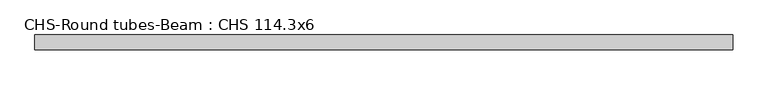
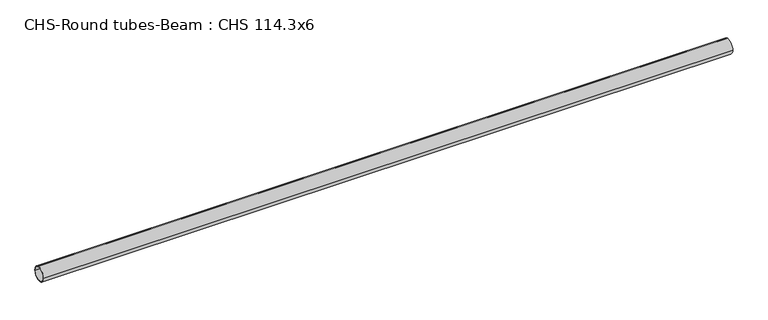
"""IFC4 building model written with IfcOpenShell, lengths in millimetres: beam geometry, CHS-Round tubes-Beam : CHS 114.3x6."""

from ifc_helpers import new_model, si_unit, point, frame, origin, origin_2d, place, context, project, spatial, circle_curve, trimmed, segment, composite_curve, outline, extrude, source, transform, mapped, element, save


def chs_round_tubes_beam_chs_114_3x6_1f24991c(model_context):
    return source(origin(), model_context, "Body", "SweptSolid", [
        extrude(outline(composite_curve([segment(trimmed(circle_curve(origin_2d(), 57.15), [point((57.15, 0.0))], [point((-57.15, 0.0))], False, "CARTESIAN"), True, "CONTINUOUS"), segment(trimmed(circle_curve(origin_2d(), 57.15), [point((-57.15, 0.0))], [point((57.15, 0.0))], False, "CARTESIAN"), True, "CONTINUOUS")], self_intersect=False), holes=[composite_curve([segment(trimmed(circle_curve(origin_2d(), 51.15), [point((51.15, 0.0))], [point((-51.15, 0.0))], True, "CARTESIAN"), True, "CONTINUOUS"), segment(trimmed(circle_curve(origin_2d(), 51.15), [point((-51.15, 0.0))], [point((51.15, 0.0))], True, "CARTESIAN"), True, "CONTINUOUS")], self_intersect=False)]), frame((-2705.7860883, 0.0, 0.0), z_axis=(1.0, 0.0, 0.0), x_axis=(0.0, 1.0, 0.0)), (0.0, 0.0, 1.0), 5384.1982852),
    ])


if __name__ == "__main__":
    model = new_model("IFC4")
    model_context = context("Model", 3, world=origin())
    ifc_project = project(units=[si_unit("LENGTHUNIT", "METRE", prefix="MILLI")], contexts=[model_context])
    site = spatial("IfcSite", under=ifc_project)
    building = spatial("IfcBuilding", under=site)
    placement = place(None, origin())
    chs_round_tubes_beam_chs_114_3x6_shape = chs_round_tubes_beam_chs_114_3x6_1f24991c(model_context)
    element("IfcBeam", 1, ObjectType="CHS-Round tubes-Beam : CHS 114.3x6", at=placement, inside=building, context=model_context, shape_type="MappedRepresentation", body=[
        mapped(chs_round_tubes_beam_chs_114_3x6_shape, transform((0.0, 0.0, 0.0), x_axis=(1.0, 0.0, 0.0), y_axis=(0.0, 1.0, 0.0), z_axis=(0.0, 0.0, 1.0))),
    ])
    save(model, "model.ifc")
